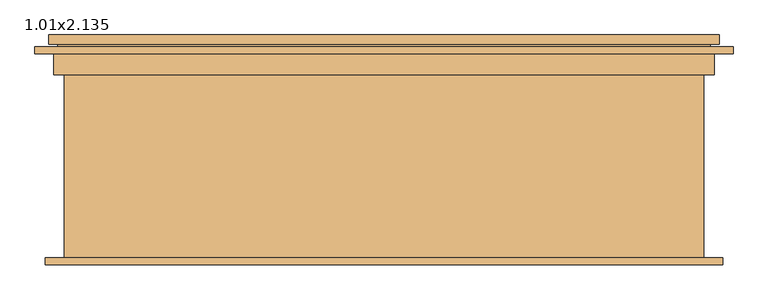
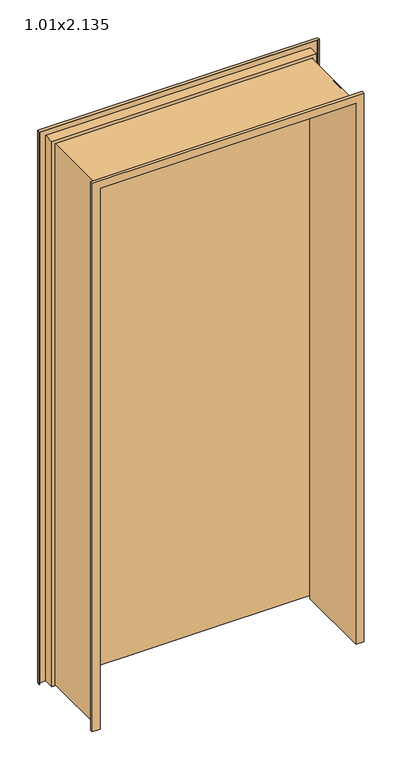
"""IFC4 building model written with IfcOpenShell, lengths in millimetres: door geometry, 1.01x2.135."""

import ifcopenshell
import ifcopenshell.guid

model = None  # the IFC model being written
_history = None  # IfcOwnerHistory: only IFC2X3 demands one
_inside = {}  # id of a spatial element -> (the spatial element, [elements in it])
_under = {}  # id of a project, library or spatial element -> (it, [spatial elements below it])
_declared = {}  # id of a project -> (the project, [libraries it declares])
_typed = {}  # id of a type object -> (the type object, [elements of that type])
_made_of = {}  # id of a material, layer set ... -> (it, [elements and type objects made of it])


def new_model(schema):
    """Start an empty IFC model of exactly this schema.

    Asked for "IFC4X3", IfcOpenShell would pick the latest addendum, in which some entities
    have other attributes; the version numbers below select the first issue.
    IFC2X3 requires an IfcOwnerHistory on every rooted entity: one is made here for all.
    """
    global model, _history
    if schema == "IFC4X3":
        model = ifcopenshell.file(schema_version=(4, 3, 0, 0))
    else:
        model = ifcopenshell.file(schema=schema)
    _inside.clear()
    _under.clear()
    _declared.clear()
    _typed.clear()
    _made_of.clear()
    _history = None
    if model.schema == "IFC2X3":
        org = make("IfcOrganization", Name="unknown")
        user = make(
            "IfcPersonAndOrganization",
            ThePerson=make("IfcPerson", FamilyName="unknown"),
            TheOrganization=org,
        )
        app = make(
            "IfcApplication",
            ApplicationDeveloper=org,
            Version="unknown",
            ApplicationFullName="unknown",
            ApplicationIdentifier="unknown",
        )
        _history = make(
            "IfcOwnerHistory",
            OwningUser=user,
            OwningApplication=app,
            ChangeAction="ADDED",
            CreationDate=0,
        )
    return model


def make(cls, **values):
    """One entity of the class cls with the attributes given. An attribute that is None is left unset."""
    return model.create_entity(
        cls, **{name: value for name, value in values.items() if value is not None}
    )


def rooted(cls, **values):
    """An entity with a GlobalId (a new one), such as an element, a storey or a relation."""
    return make(cls, GlobalId=ifcopenshell.guid.new(), OwnerHistory=_history, **values)


def si_unit(unit_type, name, prefix=None):
    """IfcSIUnit, for example si_unit("LENGTHUNIT", "METRE", prefix="MILLI")."""
    return make("IfcSIUnit", UnitType=unit_type, Prefix=prefix, Name=name)


def assignment(units):
    """IfcUnitAssignment: the units of a project."""
    return None if units is None else make("IfcUnitAssignment", Units=units)


def point(xyz):
    """IfcCartesianPoint."""
    return None if xyz is None else make("IfcCartesianPoint", Coordinates=xyz)


def direction(xyz):
    """IfcDirection."""
    return None if xyz is None else make("IfcDirection", DirectionRatios=xyz)


def frame(location, z_axis=None, x_axis=None):
    """IfcAxis2Placement3D, a coordinate frame: its origin and axes. An axis left out is left unset."""
    return make(
        "IfcAxis2Placement3D",
        Location=point(location),
        Axis=direction(z_axis),
        RefDirection=direction(x_axis),
    )


def origin():
    """The frame at (0, 0, 0) with its axes left unset."""
    return frame((0.0, 0.0, 0.0))


def place(relative_to, where):
    """IfcLocalPlacement: puts the frame where relative to a parent placement (None: the world)."""
    return make(
        "IfcLocalPlacement", PlacementRelTo=relative_to, RelativePlacement=where
    )


def context(
    kind, dimensions, precision=None, world=None, true_north=None, identifier=None
):
    """IfcGeometricRepresentationContext, for example the 3D "Model" context."""
    return make(
        "IfcGeometricRepresentationContext",
        ContextIdentifier=identifier,
        ContextType=kind,
        CoordinateSpaceDimension=dimensions,
        Precision=precision,
        WorldCoordinateSystem=world,
        TrueNorth=true_north,
    )


def project(units=None, contexts=None):
    """IfcProject with its units and contexts."""
    return rooted(
        "IfcProject",
        Name="project",
        RepresentationContexts=contexts,
        UnitsInContext=assignment(units),
    )


def spatial(cls, under=None, at=None, **own):
    """A site, building, storey or space (cls), placed at a placement, below another one or the project."""
    s = rooted(cls, ObjectPlacement=at, **own)
    if under is not None:
        _under.setdefault(under.id(), (under, []))[1].append(s)
    return s


def faces_of(points, faces, orient=None, outer=None):
    """IfcFace entities. A face is a list of loops; a loop is a list of indices into points, from 0.

    orient and outer hold one flag for each loop. By default every Orientation is true, the
    first loop of a face is its IfcFaceOuterBound and the others are IfcFaceBound.
    """
    made = []
    for i, loops in enumerate(faces):
        bounds = []
        for j, loop in enumerate(loops):
            is_outer = j == 0 if outer is None else outer[i][j]
            bounds.append(
                make(
                    "IfcFaceOuterBound" if is_outer else "IfcFaceBound",
                    Bound=make("IfcPolyLoop", Polygon=[points[k] for k in loop]),
                    Orientation=True if orient is None else orient[i][j],
                )
            )
        made.append(make("IfcFace", Bounds=bounds))
    return made


def faceted_brep(points, faces, orient=None, outer=None, voids=None):
    """IfcFacetedBrep: a solid bounded by flat faces; with voids (closed shells), ...WithVoids."""
    shared = [point(p) for p in points]
    hull = make("IfcClosedShell", CfsFaces=faces_of(shared, faces, orient, outer))
    if voids is None:
        return make("IfcFacetedBrep", Outer=hull)
    return make(
        "IfcFacetedBrepWithVoids",
        Outer=hull,
        Voids=[
            make(cls, CfsFaces=faces_of(shared, fs, o, b)) for cls, fs, o, b in voids
        ],
    )


def shape(context_of_items, identifier, shape_type, items):
    """IfcShapeRepresentation: the items that make up one representation, for example the "Body"."""
    return make(
        "IfcShapeRepresentation",
        ContextOfItems=context_of_items,
        RepresentationIdentifier=identifier,
        RepresentationType=shape_type,
        Items=items,
    )


def source(mapping_origin, context_of_items, identifier, shape_type, items):
    """IfcRepresentationMap: a shape defined once, which mapped items show again and again."""
    return make(
        "IfcRepresentationMap",
        MappingOrigin=mapping_origin,
        MappedRepresentation=shape(context_of_items, identifier, shape_type, items),
    )


def transform(
    local_origin,
    x_axis=None,
    y_axis=None,
    z_axis=None,
    scale=None,
    scale2=None,
    scale3=None,
    uniform=True,
):
    """IfcCartesianTransformationOperator3D, or its non-uniform kind. x_axis, y_axis, z_axis: its Axis1, 2, 3."""
    if uniform:
        return make(
            "IfcCartesianTransformationOperator3D",
            Axis1=direction(x_axis),
            Axis2=direction(y_axis),
            LocalOrigin=point(local_origin),
            Scale=scale,
            Axis3=direction(z_axis),
        )
    return make(
        "IfcCartesianTransformationOperator3DnonUniform",
        Axis1=direction(x_axis),
        Axis2=direction(y_axis),
        LocalOrigin=point(local_origin),
        Scale=scale,
        Axis3=direction(z_axis),
        Scale2=scale2,
        Scale3=scale3,
    )


def mapped(mapping_source, mapping_target):
    """IfcMappedItem: shows the shape of a source again, moved by a transform."""
    return make(
        "IfcMappedItem", MappingSource=mapping_source, MappingTarget=mapping_target
    )


def made_of(thing, what):
    """Note that an element or type object is made of a material, layer set ...; save() writes the relation."""
    if what is not None:
        _made_of.setdefault(what.id(), (what, []))[1].append(thing)
    return thing


def element(
    cls,
    number,
    at=None,
    inside=None,
    cuts=None,
    type_object=None,
    material=None,
    context=None,
    identifier="Body",
    shape_type=None,
    held_by="IfcProductDefinitionShape",
    body=None,
    shapes=None,
    **own,
):
    """One element of the class cls, such as IfcWall. Its Tag is "e" and its number.

    at: its placement. inside: the storey or other place that contains it. cuts: it is an
    opening in that element (IfcRelVoidsElement). A single representation is given by context,
    identifier, shape_type and body (its items); several are given by shapes. held_by: the class
    of the entity that holds the representations. save() writes the other relations.
    """
    e = rooted(cls, Tag="e%d" % number, ObjectPlacement=at, **own)
    if body is not None:
        shapes = [shape(context, identifier, shape_type, body)]
    if shapes is not None:
        e.Representation = make(held_by, Representations=shapes)
    if inside is not None:
        _inside.setdefault(inside.id(), (inside, []))[1].append(e)
    if cuts is not None:
        rooted(
            "IfcRelVoidsElement", RelatingBuildingElement=cuts, RelatedOpeningElement=e
        )
    if type_object is not None:
        _typed.setdefault(type_object.id(), (type_object, []))[1].append(e)
    return made_of(e, material)


def aggregate(whole, parts):
    """IfcRelAggregates: a whole, such as a stair, and the parts it consists of."""
    return rooted("IfcRelAggregates", RelatingObject=whole, RelatedObjects=parts)


def save(model, path):
    """Write the relations noted so far, then the file.

    IfcRelAggregates (storeys below a building ...), IfcRelContainedInSpatialStructure (elements
    in a storey), IfcRelDefinesByType, IfcRelAssociatesMaterial and IfcRelDeclares: one each for
    every whole, place, type object, material and project.
    """
    for whole, parts in _under.values():
        aggregate(whole, parts)
    for where, things in _inside.values():
        rooted(
            "IfcRelContainedInSpatialStructure",
            RelatedElements=things,
            RelatingStructure=where,
        )
    for kind, things in _typed.values():
        rooted("IfcRelDefinesByType", RelatedObjects=things, RelatingType=kind)
    for what, things in _made_of.values():
        rooted("IfcRelAssociatesMaterial", RelatedObjects=things, RelatingMaterial=what)
    for by, libraries in _declared.values():
        rooted("IfcRelDeclares", RelatingContext=by, RelatedDefinitions=libraries)
    model.write(path)


def door_1_01x2_135_257a68d3(model_context):
    return source(origin(), model_context, "Body", "Brep", [
        faceted_brep([(-492.5, 177.9346141, 177.5), (-492.5, 191.9346141, 177.5), (492.5, 191.9346141, 177.5), (492.5, 177.9346141, 177.5), (479.5, 177.9346141, 177.5), (479.5, 151.9346141, 177.5), (-479.5, 151.9346141, 177.5), (-479.5, 177.9346141, 177.5), (-492.5, 177.9346141, 2287.5), (-492.5, 191.9346141, 2287.5), (492.5, 191.9346141, 2287.5), (492.5, 177.9346141, 2287.5), (-479.5, 177.9346141, 2274.5), (479.5, 177.9346141, 2274.5), (479.5, 151.9346141, 2274.5), (-479.5, 151.9346141, 2274.5)], [[[0, 1, 2, 3, 4, 5, 6, 7]], [[8, 9, 1, 0]], [[9, 10, 2, 1]], [[10, 11, 3, 2]], [[11, 8, 0, 7, 12, 13, 4, 3]], [[13, 14, 5, 4]], [[14, 15, 6, 5]], [[15, 12, 7, 6]], [[8, 11, 10, 9]], [[15, 14, 13, 12]]]),
        faceted_brep([(513.0, 174.4346141, 170.0), (513.0, 164.4346141, 170.0), (511.0, 164.4346141, 170.0), (511.0, 172.4346141, 170.0), (485.0, 172.4346141, 170.0), (485.0, 133.1086892, 170.0), (473.68192, 133.1086892, 170.0), (473.68192, 143.9346141, 170.0), (470.0, 143.9346141, 170.0), (470.0, -143.5653859, 170.0), (496.0, -143.5653859, 170.0), (496.0, -135.5653859, 170.0), (498.0, -135.5653859, 170.0), (498.0, -145.5653859, 170.0), (468.0, -145.5653859, 170.0), (468.0, 145.9346141, 170.0), (475.68192, 145.9346141, 170.0), (475.68192, 135.1086892, 170.0), (483.0, 135.1086892, 170.0), (483.0, 174.4346141, 170.0), (513.0, 174.4346141, 2308.0), (513.0, 164.4346141, 2308.0), (-513.0, 164.4346141, 2308.0), (-513.0, 164.4346141, 170.0), (-511.0, 164.4346141, 170.0), (-511.0, 164.4346141, 2306.0), (511.0, 164.4346141, 2306.0), (511.0, 172.4346141, 2306.0), (-511.0, 172.4346141, 2306.0), (-511.0, 172.4346141, 170.0), (-485.0, 172.4346141, 170.0), (-485.0, 172.4346141, 2280.0), (485.0, 172.4346141, 2280.0), (485.0, 133.1086892, 2280.0), (-485.0, 133.1086892, 2280.0), (-485.0, 133.1086892, 170.0), (-473.68192, 133.1086892, 170.0), (-473.68192, 133.1086892, 2268.68192), (473.68192, 133.1086892, 2268.68192), (473.68192, 143.9346141, 2268.68192), (-473.68192, 143.9346141, 2268.68192), (-473.68192, 143.9346141, 170.0), (-470.0, 143.9346141, 170.0), (-470.0, 143.9346141, 2265.0), (470.0, 143.9346141, 2265.0), (470.0, -143.5653859, 2265.0), (-470.0, -143.5653859, 2265.0), (-470.0, -143.5653859, 170.0), (-496.0, -143.5653859, 170.0), (-496.0, -143.5653859, 2291.0), (496.0, -143.5653859, 2291.0), (496.0, -135.5653859, 2291.0), (-496.0, -135.5653859, 2291.0), (-496.0, -135.5653859, 170.0), (-498.0, -135.5653859, 170.0), (-498.0, -135.5653859, 2293.0), (498.0, -135.5653859, 2293.0), (498.0, -145.5653859, 2293.0), (-498.0, -145.5653859, 2293.0), (-498.0, -145.5653859, 170.0), (-468.0, -145.5653859, 170.0), (-468.0, -145.5653859, 2263.0), (468.0, -145.5653859, 2263.0), (468.0, 145.9346141, 2263.0), (-468.0, 145.9346141, 2263.0), (-468.0, 145.9346141, 170.0), (-475.68192, 145.9346141, 170.0), (-475.68192, 145.9346141, 2270.68192), (475.68192, 145.9346141, 2270.68192), (475.68192, 135.1086892, 2270.68192), (-475.68192, 135.1086892, 2270.68192), (-475.68192, 135.1086892, 170.0), (-483.0, 135.1086892, 170.0), (-483.0, 135.1086892, 2278.0), (483.0, 135.1086892, 2278.0), (483.0, 174.4346141, 2278.0), (-483.0, 174.4346141, 2278.0), (-483.0, 174.4346141, 170.0), (-513.0, 174.4346141, 170.0), (-513.0, 174.4346141, 2308.0)], [[[0, 1, 2, 3, 4, 5, 6, 7, 8, 9, 10, 11, 12, 13, 14, 15, 16, 17, 18, 19]], [[1, 0, 20, 21]], [[2, 1, 21, 22, 23, 24, 25, 26]], [[3, 2, 26, 27]], [[4, 3, 27, 28, 29, 30, 31, 32]], [[5, 4, 32, 33]], [[6, 5, 33, 34, 35, 36, 37, 38]], [[7, 6, 38, 39]], [[8, 7, 39, 40, 41, 42, 43, 44]], [[9, 8, 44, 45]], [[10, 9, 45, 46, 47, 48, 49, 50]], [[11, 10, 50, 51]], [[12, 11, 51, 52, 53, 54, 55, 56]], [[13, 12, 56, 57]], [[14, 13, 57, 58, 59, 60, 61, 62]], [[15, 14, 62, 63]], [[16, 15, 63, 64, 65, 66, 67, 68]], [[17, 16, 68, 69]], [[18, 17, 69, 70, 71, 72, 73, 74]], [[19, 18, 74, 75]], [[0, 19, 75, 76, 77, 78, 79, 20]], [[22, 79, 78, 23]], [[78, 77, 72, 71, 66, 65, 60, 59, 54, 53, 48, 47, 42, 41, 36, 35, 30, 29, 24, 23]], [[28, 25, 24, 29]], [[34, 31, 30, 35]], [[40, 37, 36, 41]], [[46, 43, 42, 47]], [[52, 49, 48, 53]], [[58, 55, 54, 59]], [[64, 61, 60, 65]], [[70, 67, 66, 71]], [[76, 73, 72, 77]], [[21, 20, 79, 22]], [[27, 26, 25, 28]], [[33, 32, 31, 34]], [[39, 38, 37, 40]], [[45, 44, 43, 46]], [[51, 50, 49, 52]], [[57, 56, 55, 58]], [[63, 62, 61, 64]], [[69, 68, 67, 70]], [[75, 74, 73, 76]]]),
    ])


if __name__ == "__main__":
    model = new_model("IFC4")
    model_context = context("Model", 3, world=origin())
    ifc_project = project(units=[si_unit("LENGTHUNIT", "METRE", prefix="MILLI")], contexts=[model_context])
    site = spatial("IfcSite", under=ifc_project)
    building = spatial("IfcBuilding", under=site)
    placement = place(None, origin())
    door_1_01x2_135_shape = door_1_01x2_135_257a68d3(model_context)
    element("IfcDoor", 1, ObjectType="1.01x2.135", at=placement, inside=building, context=model_context, shape_type="MappedRepresentation", body=[
        mapped(door_1_01x2_135_shape, transform((0.0, 0.0, 0.0), x_axis=(1.0, 0.0, 0.0), y_axis=(0.0, 1.0, 0.0), z_axis=(0.0, 0.0, 1.0))),
    ])
    save(model, "model.ifc")
